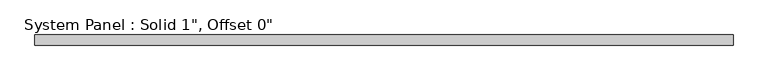
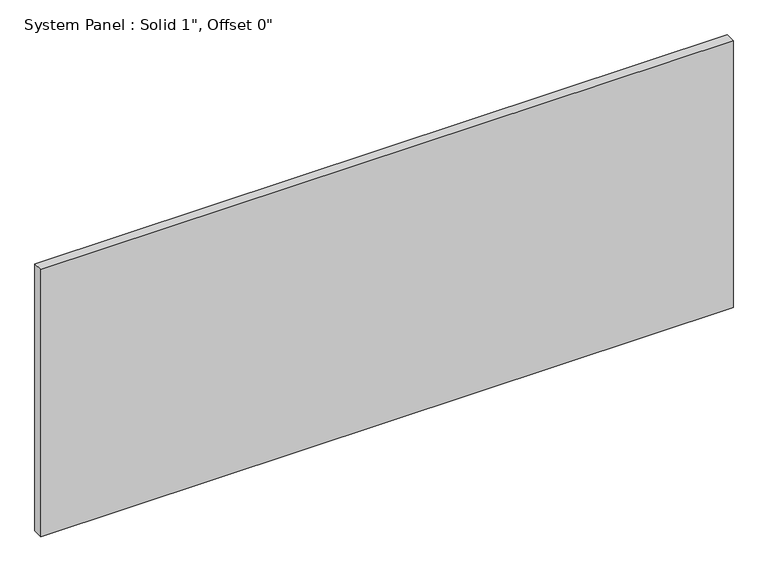
"""IFC4 building model written with IfcOpenShell, lengths in millimetres: plate geometry."""

from ifc_helpers import new_model, si_unit, origin, origin_with_axes, place, context, project, spatial, polyline, outline, extrude, source, transform, mapped, element, save


def plate_bbab662a(model_context):
    return source(origin(), model_context, "Body", "SweptSolid", [
        extrude(outline(polyline([(876.3, -12.7), (-876.3, -12.7), (-876.3, 12.7), (876.3, 12.7), (876.3, -12.7)])), origin_with_axes(), (0.0, 0.0, 1.0), 715.0495022),
    ])


if __name__ == "__main__":
    model = new_model("IFC4")
    model_context = context("Model", 3, world=origin())
    ifc_project = project(units=[si_unit("LENGTHUNIT", "METRE", prefix="MILLI")], contexts=[model_context])
    site = spatial("IfcSite", under=ifc_project)
    building = spatial("IfcBuilding", under=site)
    placement = place(None, origin())
    plate_shape = plate_bbab662a(model_context)
    element("IfcPlate", 1, ObjectType="System Panel : Solid 1\", Offset 0\"", at=placement, inside=building, context=model_context, shape_type="MappedRepresentation", body=[
        mapped(plate_shape, transform((0.0, 0.0, 0.0), x_axis=(1.0, 0.0, 0.0), y_axis=(0.0, 1.0, 0.0), z_axis=(0.0, 0.0, 1.0))),
    ])
    save(model, "model.ifc")
